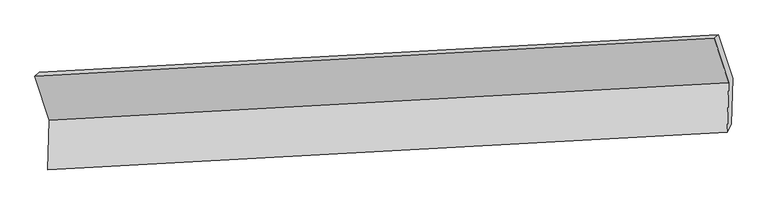
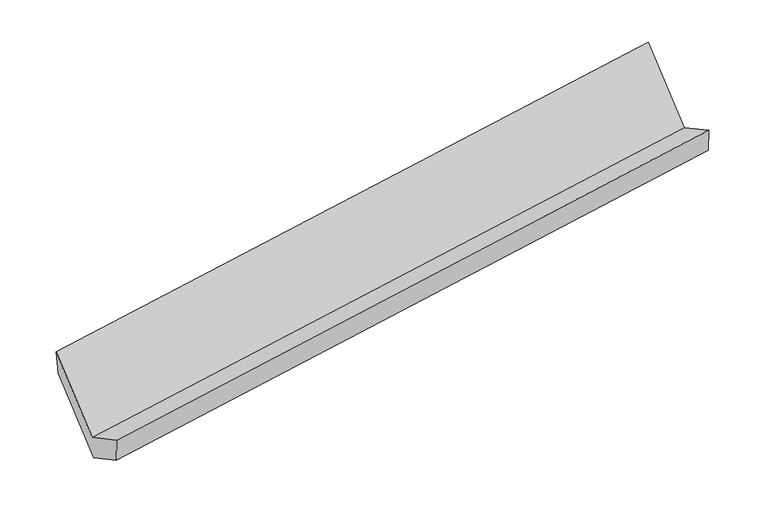
"""IFC4 building model written with IfcOpenShell, lengths in millimetres: proxy geometry."""

from ifc_helpers import new_model, si_unit, frame, origin, place, context, project, spatial, polyline, outline, extrude, source, transform, mapped, element, save


def generic_models_993e4518(model_context):
    return source(origin(), model_context, "Body", "SweptSolid", [
        extrude(outline(polyline([(-138.8050712, -69.8751465), (528.9029833, -69.8751465), (354.7077559, -195.8521086), (-303.0002985, -195.8521086), (-303.0002985, 188.0866068), (-138.8050711, 343.3679036), (-138.8050712, -69.8751465)])), frame((-5344.103295, -1642.8615632, 1550.3179653), z_axis=(0.987207781917185, 0.05452371028623369, 0.1498264340454475), x_axis=(-0.15739269039077866, 0.48333670044125204, 0.8611696551888692)), (0.0, 0.0, 1.0), 5030.5195664),
    ])


if __name__ == "__main__":
    model = new_model("IFC4")
    model_context = context("Model", 3, world=origin())
    ifc_project = project(units=[si_unit("LENGTHUNIT", "METRE", prefix="MILLI")], contexts=[model_context])
    site = spatial("IfcSite", under=ifc_project)
    building = spatial("IfcBuilding", under=site)
    placement = place(None, origin())
    generic_models_shape = generic_models_993e4518(model_context)
    element("IfcBuildingElementProxy", 1, Name="Generic Models", at=placement, inside=building, context=model_context, shape_type="MappedRepresentation", body=[
        mapped(generic_models_shape, transform((0.0, 0.0, 0.0), x_axis=(1.0, 0.0, 0.0), y_axis=(0.0, 1.0, 0.0), z_axis=(0.0, 0.0, 1.0))),
    ])
    save(model, "model.ifc")
